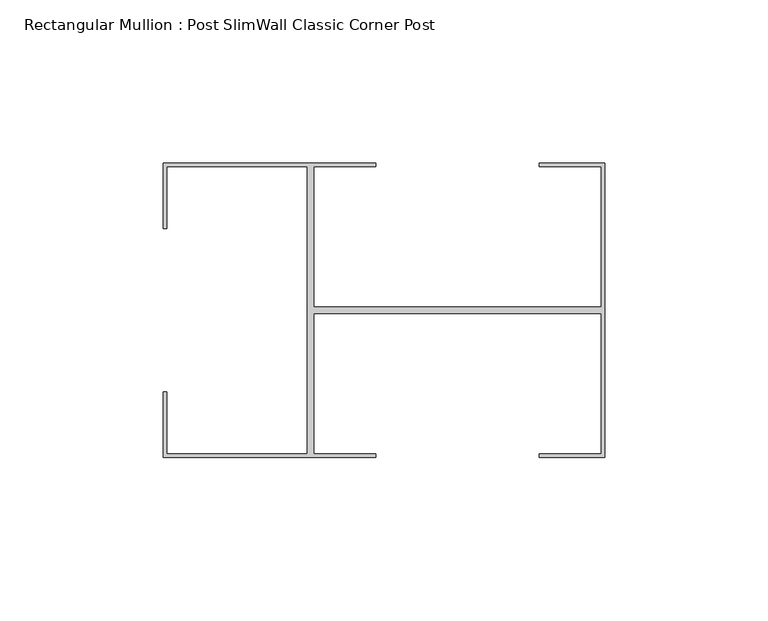
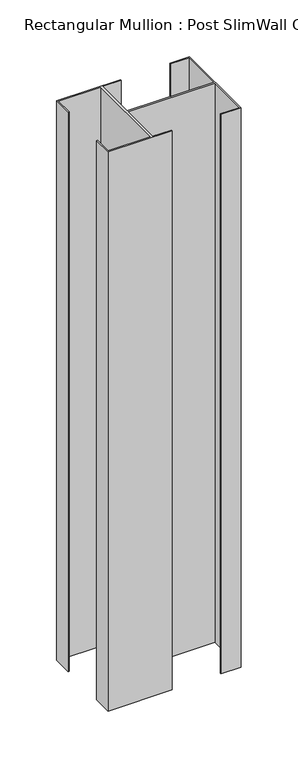
"""IFC4 building model written with IfcOpenShell, lengths in millimetres: member geometry, Rectangular Mullion : Post SlimWall Classic Corner Post."""

from ifc_helpers import new_model, si_unit, frame, origin, place, context, project, spatial, polyline, outline, extrude, source, transform, mapped, element, save


def rectangular_mullion_post_slimwall_classic_corner_post_da2a7e0e(model_context):
    return source(origin(), model_context, "Body", "SweptSolid", [
        extrude(outline(polyline([(-89.05, -44.05), (-70.0, -44.05), (-70.0, -45.0), (-135.0, -45.0), (-135.0, -25.0), (-134.05, -25.0), (-134.05, -44.05), (-90.95, -44.05), (-90.95, 44.05), (-134.05, 44.05), (-134.05, 25.0), (-135.0, 25.0), (-135.0, 45.0), (-70.0, 45.0), (-70.0, 44.05), (-89.05, 44.05), (-89.05, 0.95), (-0.95, 0.95), (-0.95, 44.05), (-20.0, 44.05), (-20.0, 45.0), (0.0, 45.0), (0.0, -45.0), (-20.0, -45.0), (-20.0, -44.05), (-0.95, -44.05), (-0.95, -0.95), (-89.05, -0.95), (-89.05, -44.05)])), frame((0.0, 0.0, -600.0), z_axis=(0.0, 0.0, 1.0), x_axis=(1.0, 0.0, 0.0)), (0.0, 0.0, 1.0), 600.0),
    ])


if __name__ == "__main__":
    model = new_model("IFC4")
    model_context = context("Model", 3, world=origin())
    ifc_project = project(units=[si_unit("LENGTHUNIT", "METRE", prefix="MILLI")], contexts=[model_context])
    site = spatial("IfcSite", under=ifc_project)
    building = spatial("IfcBuilding", under=site)
    placement = place(None, origin())
    rectangular_mullion_post_slimwall_classic_corner_post_shape = rectangular_mullion_post_slimwall_classic_corner_post_da2a7e0e(model_context)
    element("IfcMember", 1, ObjectType="Rectangular Mullion : Post SlimWall Classic Corner Post", at=placement, inside=building, context=model_context, shape_type="MappedRepresentation", body=[
        mapped(rectangular_mullion_post_slimwall_classic_corner_post_shape, transform((0.0, 0.0, 0.0), x_axis=(1.0, 0.0, 0.0), y_axis=(0.0, 1.0, 0.0), z_axis=(0.0, 0.0, 1.0))),
    ])
    save(model, "model.ifc")
